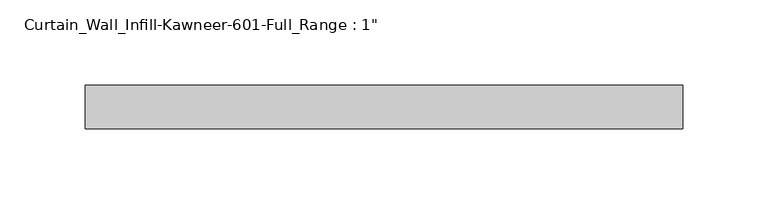
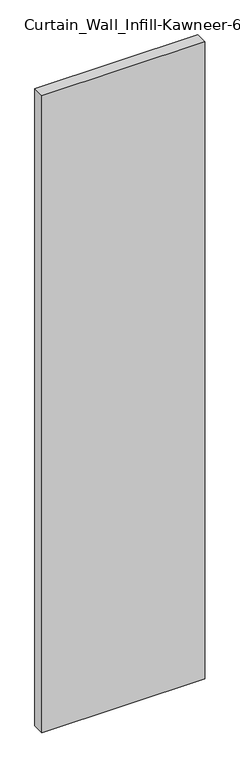
"""IFC4 building model written with IfcOpenShell, lengths in millimetres: plate geometry."""

from ifc_helpers import new_model, si_unit, origin, origin_with_axes, place, context, project, spatial, polyline, outline, extrude, source, transform, mapped, element, save


def plate_6d3fce60(model_context):
    return source(origin(), model_context, "Body", "SweptSolid", [
        extrude(outline(polyline([(-174.625, -12.7), (-174.625, 12.7), (174.625, 12.7), (174.625, -12.7), (-174.625, -12.7)])), origin_with_axes(), (0.0, 0.0, 1.0), 1444.625),
    ])


if __name__ == "__main__":
    model = new_model("IFC4")
    model_context = context("Model", 3, world=origin())
    ifc_project = project(units=[si_unit("LENGTHUNIT", "METRE", prefix="MILLI")], contexts=[model_context])
    site = spatial("IfcSite", under=ifc_project)
    building = spatial("IfcBuilding", under=site)
    placement = place(None, origin())
    plate_shape = plate_6d3fce60(model_context)
    element("IfcPlate", 1, ObjectType="Curtain_Wall_Infill-Kawneer-601-Full_Range : 1\"", at=placement, inside=building, context=model_context, shape_type="MappedRepresentation", body=[
        mapped(plate_shape, transform((0.0, 0.0, 0.0), x_axis=(1.0, 0.0, 0.0), y_axis=(0.0, 1.0, 0.0), z_axis=(0.0, 0.0, 1.0))),
    ])
    save(model, "model.ifc")
